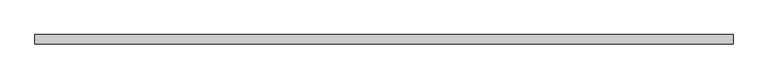
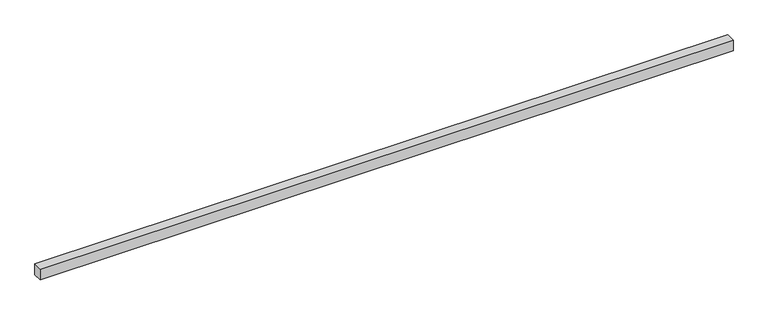
"""IFC4 building model written with IfcOpenShell, lengths in millimetres: proxy geometry."""

from ifc_helpers import new_model, si_unit, origin, origin_with_axes, place, context, project, spatial, polyline, outline, extrude, source, transform, mapped, element, save


def generic_models_b6438690(model_context):
    return source(origin(), model_context, "Body", "SweptSolid", [
        extrude(outline(polyline([(6080.0, -40.0), (0.0, -40.0), (0.0, 40.0), (6080.0, 40.0), (6080.0, -40.0)])), origin_with_axes(), (0.0, 0.0, 1.0), 100.0),
    ])


if __name__ == "__main__":
    model = new_model("IFC4")
    model_context = context("Model", 3, world=origin())
    ifc_project = project(units=[si_unit("LENGTHUNIT", "METRE", prefix="MILLI")], contexts=[model_context])
    site = spatial("IfcSite", under=ifc_project)
    building = spatial("IfcBuilding", under=site)
    placement = place(None, origin())
    generic_models_shape = generic_models_b6438690(model_context)
    element("IfcBuildingElementProxy", 1, Name="Generic Models", at=placement, inside=building, context=model_context, shape_type="MappedRepresentation", body=[
        mapped(generic_models_shape, transform((0.0, 0.0, 0.0), x_axis=(1.0, 0.0, 0.0), y_axis=(0.0, 1.0, 0.0), z_axis=(0.0, 0.0, 1.0))),
    ])
    save(model, "model.ifc")
